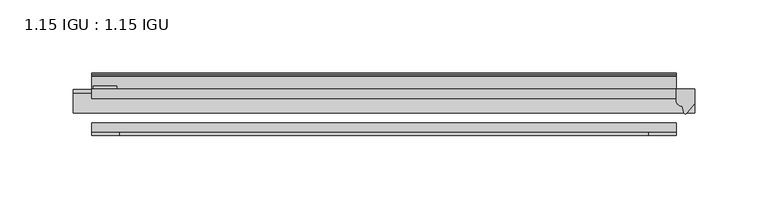
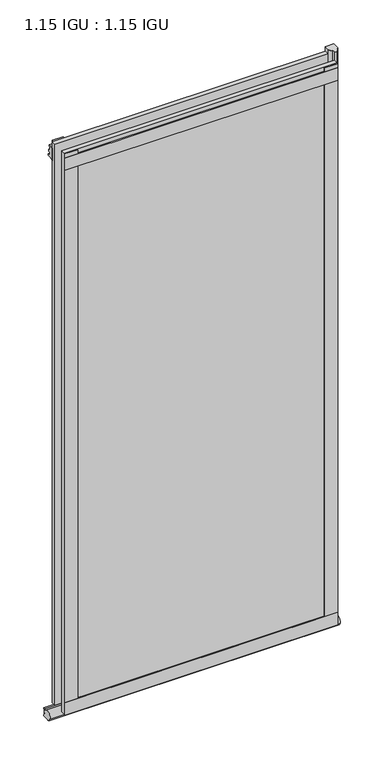
"""IFC4 building model written with IfcOpenShell, lengths in millimetres: plate geometry, 1.15 IGU : 1.15 IGU."""

from ifc_helpers import new_model, si_unit, point, frame, frame_2d, origin, place, context, project, spatial, polyline, circle_curve, ellipse_curve, trimmed, segment, composite_curve, outline, extrude, source, transform, mapped, element, save
from ifc_brep_helpers import plane_surface, revolved_surface, extruded_surface, advanced_brep


def plate_1_15_igu_1_15_igu_eb9afe0e(model_context):
    return source(origin(), model_context, "Body", "SolidModel", [
        extrude(outline(polyline([(200.009125, 0.0), (200.009125, -6.2992), (-200.009125, -6.2992), (-200.009125, 0.0), (200.009125, 0.0)])), frame((0.0, 0.0, -19.05), z_axis=(0.0, 0.0, 1.0), x_axis=(1.0, 0.0, 0.0)), (0.0, 0.0, 1.0), 869.9368072),
        extrude(outline(polyline([(-200.009125, -23.1648), (200.009125, -23.1648), (200.009125, -29.464), (-200.009125, -29.464), (-200.009125, -23.1648)])), frame((0.0, 0.0, -19.05), z_axis=(0.0, 0.0, 1.0), x_axis=(1.0, 0.0, 0.0)), (0.0, 0.0, 1.0), 869.9368072),
        advanced_brep(
        [(212.709125, -2.9334208, -29.3692082), (212.709125, -15.7658436, -30.8313288), (212.709125, -6.7904952, -34.925), (212.709125, 0.0, -34.925), (212.709125, 0.0, -22.225), (212.709125, -2.5187477, -22.225), (-212.709125, -2.9073519, -29.3720514), (-212.709125, -2.5187477, -22.225), (-212.709125, 0.0, -22.225), (-212.709125, 0.0, -34.925), (-212.709125, -6.7904952, -34.925), (-212.709125, -15.7658436, -30.8313288)],
        [
            (0, 1, ellipse_curve(frame((212.709125, -9.5065066, -28.575), z_axis=(1.0, 0.0, 0.0), x_axis=(0.0, 0.0, -1.0)), 6.9638038, 6.6162554)),
            (1, 2, ellipse_curve(frame((212.709125, -9.5065066, -28.575), z_axis=(1.0, 0.0, 0.0), x_axis=(0.0, 0.0, -1.0)), 6.9638038, 6.6162554)),
            (2, 3),
            (3, 4, circle_curve(frame((212.709125, 24.1576838, -28.575), z_axis=(-1.0, 0.0, 0.0), x_axis=(0.0, 0.0, 1.0)), 24.9783143)),
            (4, 5),
            (5, 0, circle_curve(frame((212.709125, -68.4358767, -22.225), z_axis=(-1.0, 0.0, 0.0), x_axis=(0.0, 0.0, 1.0)), 65.917129)),
            (6, 7, circle_curve(frame((-212.709125, -68.4358767, -22.225), z_axis=(1.0, 0.0, 0.0), x_axis=(0.0, 0.0, 1.0)), 65.917129)),
            (7, 8),
            (8, 9, circle_curve(frame((-212.709125, 24.1576838, -28.575), z_axis=(1.0, 0.0, 0.0), x_axis=(0.0, 0.0, 1.0)), 24.9783143)),
            (9, 10),
            (10, 11, ellipse_curve(frame((-212.709125, -9.5065066, -28.575), z_axis=(-1.0, 0.0, 0.0), x_axis=(0.0, 0.0, -1.0)), 6.9638038, 6.6162554)),
            (11, 6, ellipse_curve(frame((-212.709125, -9.5065066, -28.575), z_axis=(-1.0, 0.0, 0.0), x_axis=(0.0, 0.0, -1.0)), 6.9638038, 6.6162554)),
            (0, 6),
            (11, 1),
            (10, 2),
            (9, 3),
            (8, 4),
            (7, 5),
        ],
        [
            plane_surface(frame((212.709125, 0.0, -28.575), z_axis=(1.0, 0.0, 0.0), x_axis=(0.0, 1.0, 0.0))),
            plane_surface(frame((-212.709125, 0.0, -28.575), z_axis=(-1.0, 0.0, 0.0), x_axis=(0.0, 1.0, 0.0))),
            extruded_surface(trimmed(ellipse_curve(frame((-212.709125, -9.5065066, -28.575), z_axis=(1.0, 0.0, 0.0), x_axis=(0.0, 0.0, -1.0)), 6.9638038, 6.6162554), [point((-212.709125, -2.9334208, -29.3692082))], [point((-212.709125, -15.7658436, -30.8313288))], True, "CARTESIAN"), (425.41825, 0.0, 0.0), 425.41825),
            extruded_surface(trimmed(ellipse_curve(frame((-212.709125, -9.5065066, -28.575), z_axis=(1.0, 0.0, 0.0), x_axis=(0.0, 0.0, -1.0)), 6.9638038, 6.6162554), [point((-212.709125, -15.7658436, -30.8313288))], [point((-212.709125, -6.7904952, -34.925))], True, "CARTESIAN"), (425.41825, 0.0, 0.0), 425.41825),
            plane_surface(frame((212.709125, -6.7904952, -34.925), z_axis=(0.0, 0.0, -1.0), x_axis=(-1.0, 0.0, 0.0))),
            revolved_surface(polyline([(-212.709125, 24.1576838, -3.5966856999999983), (212.709125, 24.1576838, -3.5966856999999983)]), (212.709125, 24.1576838, -28.575), (-1.0, 0.0, 0.0)),
            plane_surface(frame((212.709125, 0.0, -22.225), z_axis=(0.0, 0.0, 1.0), x_axis=(-1.0, 0.0, 0.0))),
            revolved_surface(polyline([(-212.709125, -68.4358767, 43.692129), (212.709125, -68.4358767, 43.692129)]), (212.709125, -68.4358767, -22.225), (-1.0, 0.0, 0.0)),
        ],
        [
            (0, [[1, 2, 3, 4, 5, 6]]),
            (1, [[7, 8, 9, 10, 11, 12]]),
            (2, [[-1, 13, -12, 14]]),
            (3, [[-2, -14, -11, 15]]),
            (4, [[-3, -15, -10, 16]]),
            (5, [[-4, -16, -9, 17]]),
            (6, [[-5, -17, -8, 18]]),
            (7, [[-6, -18, -7, -13]]),
        ],
    ),
        extrude(outline(composite_curve([segment(polyline([(212.709125, 0.0), (212.709125, -9.7395025), (207.1428941, -16.3730781)]), True, "CONTINUOUS"), segment(trimmed(circle_curve(frame_2d((206.1892191, -15.7728374)), 1.1268473), [point((207.1428941, -16.3730781))], [point((205.0882662, -16.0130197))], False, "CARTESIAN"), True, "CONTINUOUS"), segment(polyline([(205.0882662, -16.0130197), (204.1080748, -11.7377885)]), True, "CONTINUOUS"), segment(trimmed(circle_curve(frame_2d((203.9806229, -7.7683362)), 3.9714979), [point((204.1080748, -11.7377885))], [point((200.0093036, -7.8060014))], False, "CARTESIAN"), True, "CONTINUOUS"), segment(polyline([(200.0093036, -7.8060014), (200.0093036, 0.0), (212.709125, 0.0)]), True, "CONTINUOUS")], self_intersect=False)), frame((0.0, 0.0, -19.05), z_axis=(0.0, 0.0, 1.0), x_axis=(1.0, 0.0, 0.0)), (0.0, 0.0, 1.0), 877.0742072),
        extrude(outline(polyline([(-200.009125, -31.75), (-200.009125, -29.464), (200.009125, -29.464), (200.009125, -31.75), (-200.009125, -31.75)])), frame((0.0, 0.0, -19.05), z_axis=(0.0, 0.0, 1.0), x_axis=(1.0, 0.0, 0.0)), (0.0, 0.0, 1.0), 19.05),
        extrude(outline(composite_curve([segment(polyline([(8.509, 840.7300284), (8.509, 838.6980284), (6.35, 838.6980284), (6.35, 833.3640284), (8.9492698, 833.3640284)]), True, "CONTINUOUS"), segment(trimmed(circle_curve(frame_2d((8.208689, 831.8368072)), 1.697311), [point((8.9492698, 833.3640284))], [point((8.962411, 830.3160284))], False, "CARTESIAN"), True, "CONTINUOUS"), segment(polyline([(8.962411, 830.3160284), (6.35, 830.3160284), (6.35, 825.4868072), (11.1252, 825.4868072), (11.1252, 824.5978072)]), True, "CONTINUOUS"), segment(trimmed(circle_curve(frame_2d((10.1092, 824.5978072)), 1.016), [point((11.1252, 824.5978072))], [point((10.1092, 823.5818072))], False, "CARTESIAN"), True, "CONTINUOUS"), segment(trimmed(circle_curve(frame_2d((10.1092, 804.1707318)), 19.4110754), [point((10.1092, 823.5818072))], [point((0.0, 820.7416075))], True, "CARTESIAN"), True, "CONTINUOUS"), segment(polyline([(0.0, 820.7416075), (0.0, 840.7300284), (8.509, 840.7300284)]), True, "CONTINUOUS")], self_intersect=False)), frame((-200.009125, 0.0, 0.0), z_axis=(1.0, 0.0, 0.0), x_axis=(0.0, 1.0, 0.0)), (0.0, 0.0, 1.0), 400.01825),
        extrude(outline(polyline([(-200.009125, -31.75), (-200.009125, -29.464), (200.009125, -29.464), (200.009125, -31.75), (-200.009125, -31.75)])), frame((0.0, 0.0, 825.4868072), z_axis=(0.0, 0.0, 1.0), x_axis=(1.0, 0.0, 0.0)), (0.0, 0.0, 1.0), 19.05),
        extrude(outline(polyline([(180.959125, -29.464), (200.009125, -29.464), (200.009125, -31.75), (180.959125, -31.75), (180.959125, -29.464)])), frame((0.0, 0.0, -19.05), z_axis=(0.0, 0.0, 1.0), x_axis=(1.0, 0.0, 0.0)), (0.0, 0.0, 1.0), 869.9368072),
        extrude(outline(polyline([(-200.009125, -31.75), (-200.009125, -29.464), (-180.959125, -29.464), (-180.959125, -31.75), (-200.009125, -31.75)])), frame((0.0, 0.0, -19.05), z_axis=(0.0, 0.0, 1.0), x_axis=(1.0, 0.0, 0.0)), (0.0, 0.0, 1.0), 869.9368072),
        extrude(outline(polyline([(-198.802625, 0.0), (-198.802625, 2.286), (-182.927625, 2.286), (-182.927625, 0.0), (-198.802625, 0.0)])), frame((0.0, 0.0, -19.05), z_axis=(0.0, 0.0, 1.0), x_axis=(1.0, 0.0, 0.0)), (0.0, 0.0, 1.0), 869.9368072),
    ])


if __name__ == "__main__":
    model = new_model("IFC4")
    model_context = context("Model", 3, world=origin())
    ifc_project = project(units=[si_unit("LENGTHUNIT", "METRE", prefix="MILLI")], contexts=[model_context])
    site = spatial("IfcSite", under=ifc_project)
    building = spatial("IfcBuilding", under=site)
    placement = place(None, origin())
    plate_1_15_igu_1_15_igu_shape = plate_1_15_igu_1_15_igu_eb9afe0e(model_context)
    element("IfcPlate", 1, ObjectType="1.15 IGU : 1.15 IGU", at=placement, inside=building, context=model_context, shape_type="MappedRepresentation", body=[
        mapped(plate_1_15_igu_1_15_igu_shape, transform((0.0, 0.0, 0.0), x_axis=(1.0, 0.0, 0.0), y_axis=(0.0, 1.0, 0.0), z_axis=(0.0, 0.0, 1.0))),
    ])
    save(model, "model.ifc")
